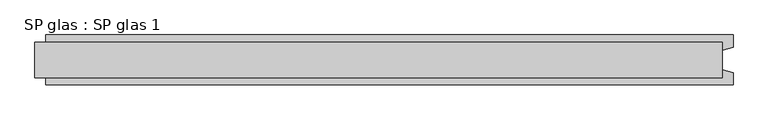
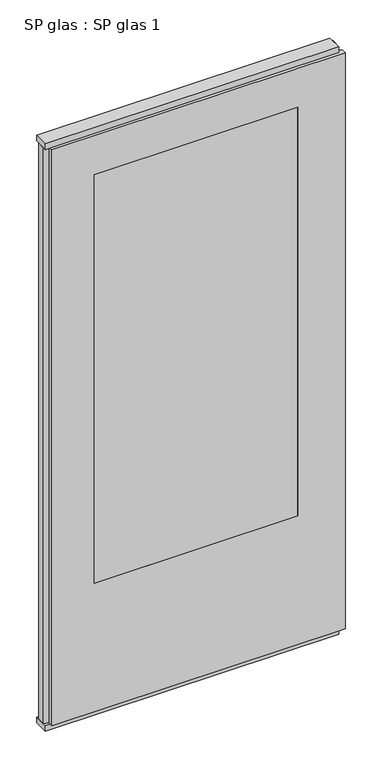
"""IFC4 building model written with IfcOpenShell, lengths in millimetres: plate geometry, SP glas : SP glas 1."""

from ifc_helpers import new_model, si_unit, frame, origin, origin_with_axes, place, context, project, spatial, polyline, outline, extrude, faceted_brep, source, transform, mapped, element, save


def sp_glas_sp_glas_1_f36481b2(model_context):
    return source(origin(), model_context, "Body", "SolidModel", [
        extrude(outline(polyline([(620.0, -32.0), (-620.0, -32.0), (-620.0, 32.0), (620.0, 32.0), (620.0, -32.0)])), origin_with_axes(), (0.0, 0.0, 1.0), 25.0),
        extrude(outline(polyline([(620.0, -32.0), (-620.0, -32.0), (-620.0, 32.0), (620.0, 32.0), (620.0, -32.0)])), frame((0.0, 0.0, 2602.0), z_axis=(0.0, 0.0, 1.0), x_axis=(1.0, 0.0, 0.0)), (0.0, 0.0, 1.0), 25.0),
        faceted_brep([(640.0, -45.0, 25.0), (-600.0, -45.0, 25.0), (-600.0, -22.9993165, 25.0), (-620.0, -17.6401049, 25.0), (-620.0, 17.6401049, 25.0), (-600.0, 22.9993165, 25.0), (-600.0, 45.0, 25.0), (640.0, 45.0, 25.0), (640.0, 22.9993165, 25.0), (620.0, 17.6401049, 25.0), (620.0, -17.6401049, 25.0), (640.0, -22.9993165, 25.0), (640.0, -22.9993165, 2602.0), (640.0, -45.0, 2602.0), (620.0, -17.6401049, 2602.0), (620.0, 17.6401049, 2602.0), (640.0, 22.9993165, 2602.0), (640.0, 45.0, 2602.0), (-600.0, 45.0, 2602.0), (-420.0, 45.0, 600.0), (440.0, 45.0, 600.0), (440.0, 45.0, 2427.0), (-420.0, 45.0, 2427.0), (-600.0, 22.9993165, 2602.0), (-620.0, 17.6401049, 2602.0), (-620.0, -17.6401049, 2602.0), (-600.0, -22.9993165, 2602.0), (-600.0, -45.0, 2602.0), (-420.0, -45.0, 2427.0), (440.0, -45.0, 2427.0), (440.0, -45.0, 600.0), (-420.0, -45.0, 600.0)], [[[0, 1, 2, 3, 4, 5, 6, 7, 8, 9, 10, 11]], [[11, 12, 13, 0]], [[10, 14, 12, 11]], [[9, 15, 14, 10]], [[8, 16, 15, 9]], [[7, 17, 16, 8]], [[6, 18, 17, 7], [19, 20, 21, 22]], [[5, 23, 18, 6]], [[4, 24, 23, 5]], [[3, 25, 24, 4]], [[2, 26, 25, 3]], [[1, 27, 26, 2]], [[0, 13, 27, 1], [28, 29, 30, 31]], [[28, 31, 19, 22]], [[30, 29, 21, 20]], [[31, 30, 20, 19]], [[13, 12, 14, 15, 16, 17, 18, 23, 24, 25, 26, 27]], [[22, 21, 29, 28]]]),
        extrude(outline(polyline([(440.0, -45.0), (-420.0, -45.0), (-420.0, 45.0), (440.0, 45.0), (440.0, -45.0)])), frame((0.0, 0.0, 600.0), z_axis=(0.0, 0.0, 1.0), x_axis=(1.0, 0.0, 0.0)), (0.0, 0.0, 1.0), 1827.0),
    ])


if __name__ == "__main__":
    model = new_model("IFC4")
    model_context = context("Model", 3, world=origin())
    ifc_project = project(units=[si_unit("LENGTHUNIT", "METRE", prefix="MILLI")], contexts=[model_context])
    site = spatial("IfcSite", under=ifc_project)
    building = spatial("IfcBuilding", under=site)
    placement = place(None, origin())
    sp_glas_sp_glas_1_shape = sp_glas_sp_glas_1_f36481b2(model_context)
    element("IfcPlate", 1, ObjectType="SP glas : SP glas 1", at=placement, inside=building, context=model_context, shape_type="MappedRepresentation", body=[
        mapped(sp_glas_sp_glas_1_shape, transform((0.0, 0.0, 0.0), x_axis=(1.0, 0.0, 0.0), y_axis=(0.0, 1.0, 0.0), z_axis=(0.0, 0.0, 1.0))),
    ])
    save(model, "model.ifc")
